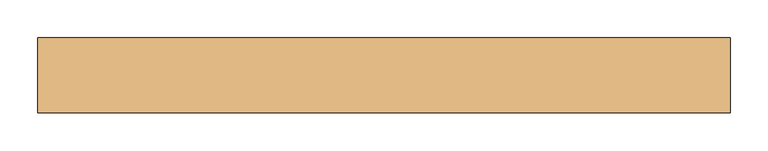
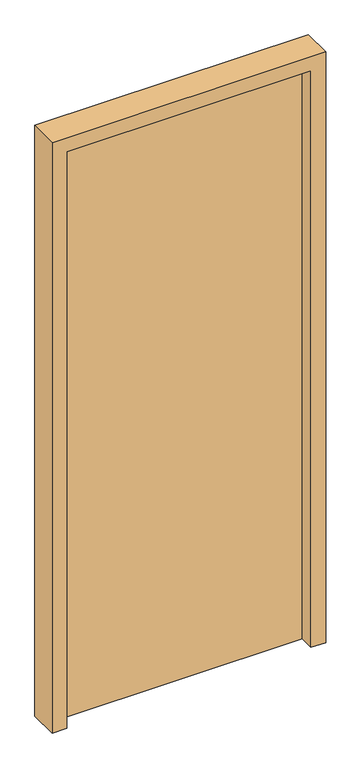
"""IFC4 building model written with IfcOpenShell, lengths in millimetres: door geometry."""

from ifc_helpers import new_model, si_unit, frame, origin, origin_with_axes, place, context, project, spatial, polyline, outline, extrude, source, transform, mapped, element, save


def door_987bade7(model_context):
    return source(origin(), model_context, "Body", "SweptSolid", [
        extrude(outline(polyline([(-410.0, 50.0), (410.0, 50.0), (410.0, 0.0), (-410.0, 0.0), (-410.0, 50.0)])), origin_with_axes(), (0.0, 0.0, 1.0), 2050.0),
        extrude(outline(polyline([(0.0, -460.0), (0.0, -410.0), (2050.0, -410.0), (2050.0, 410.0), (0.0, 410.0), (0.0, 460.0), (2100.0, 460.0), (2100.0, -460.0), (0.0, -460.0)])), frame((0.0, -50.0, 0.0), z_axis=(0.0, 1.0, 0.0), x_axis=(0.0, 0.0, 1.0)), (0.0, 0.0, 1.0), 100.0),
    ])


if __name__ == "__main__":
    model = new_model("IFC4")
    model_context = context("Model", 3, world=origin())
    ifc_project = project(units=[si_unit("LENGTHUNIT", "METRE", prefix="MILLI")], contexts=[model_context])
    site = spatial("IfcSite", under=ifc_project)
    building = spatial("IfcBuilding", under=site)
    placement = place(None, origin())
    door_shape = door_987bade7(model_context)
    element("IfcDoor", 1, at=placement, inside=building, context=model_context, shape_type="MappedRepresentation", body=[
        mapped(door_shape, transform((0.0, 0.0, 0.0), x_axis=(1.0, 0.0, 0.0), y_axis=(0.0, 1.0, 0.0), z_axis=(0.0, 0.0, 1.0))),
    ])
    save(model, "model.ifc")
